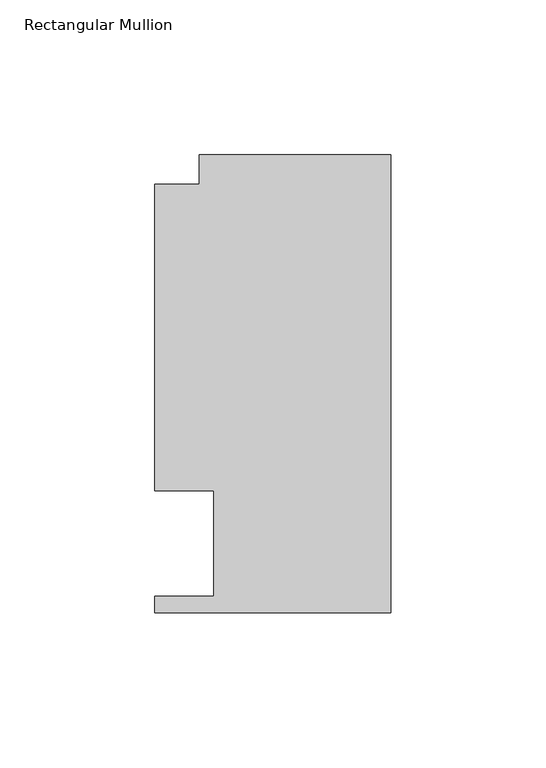
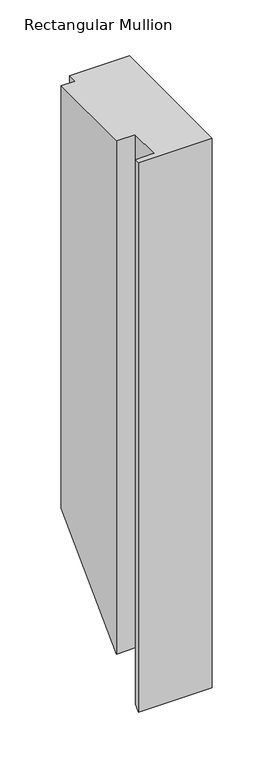
"""IFC4 building model written with IfcOpenShell, lengths in millimetres: member geometry, Rectangular Mullion."""

from ifc_helpers import new_model, si_unit, origin, place, context, project, spatial, faceted_brep, source, transform, mapped, element, save


def rectangular_mullion_b18d33df(model_context):
    return source(origin(), model_context, "Body", "Brep", [
        faceted_brep([(-61.9124999, 147.847839, 0.0), (-61.9124999, 138.322839, 0.0), (-76.1999999, 138.322839, 0.0), (-76.1999999, 39.3898438, 0.0), (-57.1499999, 39.3898438, 0.0), (-57.1499999, 5.353839, 0.0), (-76.2, 5.353839, 0.0), (-76.2, 0.019839, 0.0), (0.0, 0.019839, 0.0), (0.0, 147.847839, 0.0), (-61.9124999, 147.847839, -451.7217324), (-61.9124999, 138.322839, -461.2467324), (-76.1999999, 138.322839, -461.2467324), (-76.1999999, 39.3898438, -560.1797276), (-57.1499999, 39.3898438, -560.1797276), (-57.1499999, 5.353839, -594.2157324), (-76.2, 5.353839, -594.2157324), (-76.2, 0.019839, -599.5497324), (0.0, 0.019839, -599.5497324), (0.0, 147.847839, -451.7217324)], [[[0, 1, 2, 3, 4, 5, 6, 7, 8, 9]], [[1, 0, 10, 11]], [[2, 1, 11, 12]], [[3, 2, 12, 13]], [[4, 3, 13, 14]], [[5, 4, 14, 15]], [[6, 5, 15, 16]], [[7, 6, 16, 17]], [[8, 7, 17, 18]], [[9, 8, 18, 19]], [[0, 9, 19, 10]], [[10, 19, 18, 17, 16, 15, 14, 13, 12, 11]]]),
    ])


if __name__ == "__main__":
    model = new_model("IFC4")
    model_context = context("Model", 3, world=origin())
    ifc_project = project(units=[si_unit("LENGTHUNIT", "METRE", prefix="MILLI")], contexts=[model_context])
    site = spatial("IfcSite", under=ifc_project)
    building = spatial("IfcBuilding", under=site)
    placement = place(None, origin())
    rectangular_mullion_shape = rectangular_mullion_b18d33df(model_context)
    element("IfcMember", 1, ObjectType="Rectangular Mullion", at=placement, inside=building, context=model_context, shape_type="MappedRepresentation", body=[
        mapped(rectangular_mullion_shape, transform((0.0, 0.0, 0.0), x_axis=(1.0, 0.0, 0.0), y_axis=(0.0, 1.0, 0.0), z_axis=(0.0, 0.0, 1.0))),
    ])
    save(model, "model.ifc")
